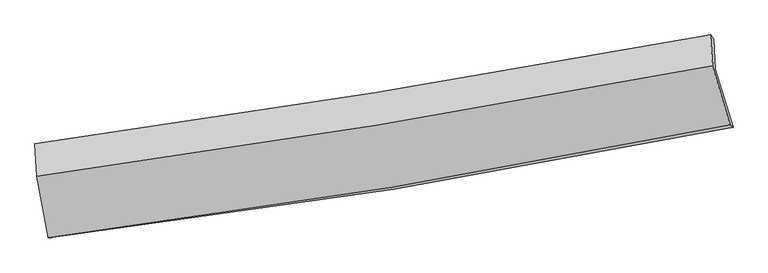
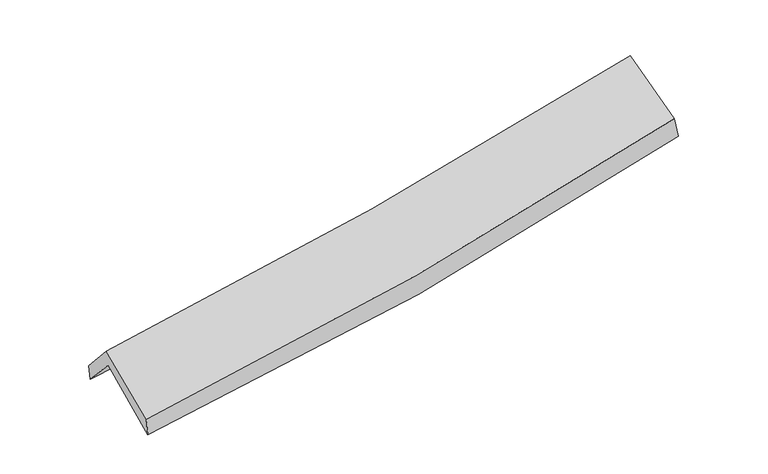
"""IFC4 building model written with IfcOpenShell, lengths in millimetres: proxy geometry."""

from ifc_helpers import new_model, si_unit, frame, origin, place, context, project, spatial, source, transform, mapped, element, save
from ifc_brep_helpers import plane_surface, spline_curve, spline_surface, advanced_brep


def generic_models_80fd4ae3(model_context):
    return source(origin(), model_context, "Body", "AdvancedBrep", [
        advanced_brep(
        [(-2754.3459014, -2518.1073181, 1459.0153622), (-2846.5161461, -2017.7753845, 1902.5485459), (2766.4865941, -1119.3507303, 2407.1726928), (2914.0529632, -1601.4056886, 1973.4786083), (-2864.033492, -1745.5684753, 1596.6793952), (2753.8863919, -871.0334157, 2092.0602034), (-2873.2033003, -1738.2136667, 1734.2556952), (2727.6511815, -835.3934071, 2254.2660019), (-2856.3377774, -2005.9622912, 2041.2349293), (2744.3321166, -1091.6449658, 2548.2121892), (-2764.3001229, -2517.5784987, 1624.783042), (2888.7039319, -1578.3241496, 2149.507048)],
        [
            (0, 1),
            (1, 2, spline_curve(3, [(-2846.5161461, -2017.7753845, 1902.5485459), (-1901.853868924, -1894.657542639, 1955.012682932), (-960.626729328, -1758.011853714, 2023.439825488), (910.340444579, -1458.404099361, 2191.80466213), (1840.114218069, -1295.574903491, 2291.58556855), (2766.4865941, -1119.3507303, 2407.1726928)], [4, 2, 4], [0.0, 9.436215425075588, 18.825975547374522])),
            (2, 3),
            (3, 0, spline_curve(3, [(2914.0529632, -1601.4056886, 1973.4786083), (1982.033217666, -1790.241677097, 1846.981102668), (1044.835202161, -1960.907914964, 1740.915660875), (-844.579720895, -2266.655357111, 1569.225238871), (-1796.847993634, -2401.556329165, 1503.802931959), (-2754.3459014, -2518.1073181, 1459.0153622)], [4, 2, 4], [0.0, 9.389760122298934, 18.825975547374522])),
            (1, 4),
            (4, 5, spline_curve(3, [(-2864.033492, -1745.5684753, 1596.6793952), (-1916.287807573, -1635.325146239, 1634.947806322), (-973.110981498, -1507.101465826, 1695.520516383), (899.484104685, -1215.413177239, 1860.866523949), (1828.947240241, -1052.125171302, 1965.420749889), (2753.8863919, -871.0334157, 2092.0602034)], [4, 2, 4], [0.0, 9.38869112602706, 18.731160915502493])),
            (5, 2),
            (4, 6),
            (6, 7, spline_curve(3, [(-2873.2033003, -1738.2136667, 1734.2556952), (-1931.568056295, -1608.157058327, 1789.504226486), (-992.86805533, -1467.682437158, 1860.608646415), (874.054608684, -1166.640025302, 2034.101150682), (1802.306102023, -1006.174560393, 2136.333499574), (2727.6511815, -835.3934071, 2254.2660019)], [4, 2, 4], [0.0, 9.38024167386915, 18.71430360856874])),
            (7, 5),
            (6, 8),
            (8, 9, spline_curve(3, [(-2856.3377774, -2005.9622912, 2041.2349293), (-1914.400448141, -1878.964625442, 2100.014372063), (-975.565236147, -1739.052878397, 2171.788437285), (891.294259975, -1434.153595147, 2340.90848955), (1819.349012208, -1269.292900547, 2438.126844341), (2744.3321166, -1091.6449658, 2548.2121892)], [4, 2, 4], [0.0, 9.370930013742228, 18.695726130421193])),
            (9, 7),
            (8, 10),
            (10, 11, spline_curve(3, [(-2764.3001229, -2517.5784987, 1624.783042), (-1810.431379702, -2394.360660478, 1679.967692653), (-861.262451559, -2254.245809293, 1751.435000587), (1023.026072018, -1940.995065059, 1926.502929564), (1958.191828702, -1768.025132934, 2029.943623982), (2888.7039319, -1578.3241496, 2149.507048)], [4, 2, 4], [0.0, 9.4188519314265, 18.791334042053855])),
            (11, 9),
            (10, 0),
            (3, 11),
        ],
        [
            spline_surface(3, 3, [[(-2754.3459014, -2518.1073181, 1459.0153622), (-1796.847993731, -2401.556329122, 1503.802932066), (-844.579720884, -2266.65535714, 1569.225238991), (1044.83520215, -1960.907914935, 1740.915660755), (1982.03321756, -1790.241677118, 1846.981102528), (2914.0529632, -1601.4056886, 1973.4786083)], [(-2785.069316331, -2351.330006907, 1606.859756752), (-1831.849952161, -2232.590066955, 1654.206182337), (-883.262057007, -2097.107522673, 1720.630101168), (1000.00361625, -1793.406643076, 1891.211994545), (1934.726884428, -1625.3527526, 1995.182591173), (2864.864173497, -1440.720702525, 2118.043303138)], [(-2815.792731169, -2184.552695693, 1754.704151348), (-1866.851910499, -2063.623804767, 1804.60943265), (-921.944393102, -1927.559688195, 1872.034963331), (955.172030377, -1625.905371207, 2041.50832832), (1887.420551304, -1460.463828008, 2143.384079805), (2815.675383803, -1280.035716375, 2262.607997962)], [(-2846.5161461, -2017.7753845, 1902.5485459), (-1901.853868929, -1894.6575426, 1955.01268292), (-960.626729225, -1758.011853727, 2023.439825508), (910.340444476, -1458.404099348, 2191.80466211), (1840.114218172, -1295.57490349, 2291.585568451), (2766.4865941, -1119.3507303, 2407.1726928)]], [4, 4], [4, 2, 4], [0.0, 2.2638076186701888], [0.0, 9.436215425075588, 18.825975547374522]),
            spline_surface(3, 3, [[(-2846.5161461, -2017.7753845, 1902.5485459), (-1901.853868929, -1894.6575426, 1955.01268292), (-960.626729225, -1758.011853727, 2023.439825508), (910.340444476, -1458.404099348, 2191.80466211), (1840.114218172, -1295.57490349, 2291.585568451), (2766.4865941, -1119.3507303, 2407.1726928)], [(-2852.355261369, -1927.039748087, 1800.592162341), (-1906.665181733, -1808.213410451, 1848.324390736), (-964.788146662, -1674.375057726, 1914.13338914), (906.721664557, -1377.407125341, 2081.491949365), (1836.391892183, -1214.424992732, 2182.863962252), (2762.286526724, -1036.57829208, 2302.135196331)], [(-2858.194376731, -1836.304111713, 1698.635778759), (-1911.476494631, -1721.769278341, 1741.636098529), (-968.949564098, -1590.738261731, 1804.8269528), (903.10288464, -1296.41015134, 1971.179236646), (1832.669566124, -1133.275082034, 2074.14235606), (2758.086459276, -953.80585392, 2197.097699869)], [(-2864.033492, -1745.5684753, 1596.6793952), (-1916.287807435, -1635.325146192, 1634.947806345), (-973.110981535, -1507.101465731, 1695.520516432), (899.484104721, -1215.413177333, 1860.866523901), (1828.947240135, -1052.125171277, 1965.420749861), (2753.8863919, -871.0334157, 2092.0602034)]], [4, 4], [4, 2, 4], [0.0, 1.3513273668748869], [0.0, 9.38869112602706, 18.731160915502493]),
            spline_surface(3, 3, [[(-2864.033492, -1745.5684753, 1596.6793952), (-1916.287807435, -1635.325146192, 1634.947806345), (-973.110981535, -1507.101465731, 1695.520516432), (899.484104721, -1215.413177333, 1860.866523901), (1828.947240135, -1052.125171277, 1965.420749861), (2753.8863919, -871.0334157, 2092.0602034)], [(-2867.090094769, -1743.116872425, 1642.538161854), (-1921.381223693, -1626.269116939, 1686.466613007), (-979.696672827, -1493.961789493, 1750.54989305), (891.007606058, -1199.15546004, 1918.611399509), (1820.066860715, -1036.808300979, 2022.391666461), (2745.141321755, -859.153412857, 2146.128802895)], [(-2870.146697531, -1740.665269575, 1688.396928546), (-1926.474639944, -1617.213087712, 1737.985419709), (-986.282364103, -1480.82211325, 1805.579269711), (882.531107412, -1182.897742741, 1976.35627516), (1811.18648133, -1021.49143061, 2079.362583076), (2736.396251645, -847.273409943, 2200.197402405)], [(-2873.2033003, -1738.2136667, 1734.2556952), (-1931.568056202, -1608.15705846, 1789.504226372), (-992.868055396, -1467.682437012, 1860.608646328), (874.054608749, -1166.640025448, 2034.101150768), (1802.30610191, -1006.174560312, 2136.333499676), (2727.6511815, -835.3934071, 2254.2660019)]], [4, 4], [4, 2, 4], [0.0, 0.5782192697373505], [0.0, 9.38024167386915, 18.71430360856874]),
            spline_surface(3, 3, [[(-2873.2033003, -1738.2136667, 1734.2556952), (-1931.568056202, -1608.15705846, 1789.504226372), (-992.868055396, -1467.682437012, 1860.608646328), (874.054608749, -1166.640025448, 2034.101150768), (1802.30610191, -1006.174560312, 2136.333499676), (2727.6511815, -835.3934071, 2254.2660019)], [(-2867.581459353, -1827.463208223, 1836.582106589), (-1925.845520245, -1698.42624751, 1893.007608241), (-987.100448945, -1558.139250758, 1964.335243299), (879.801159108, -1255.811215348, 2136.370263694), (1807.987072026, -1093.880673747, 2236.931281181), (2733.211493196, -920.810593311, 2352.248064328)], [(-2861.959618347, -1916.712749677, 1938.908517911), (-1920.122984229, -1788.695436492, 1996.510990045), (-981.332842472, -1648.596064576, 2068.061840293), (885.547709491, -1344.982405321, 2238.639376644), (1813.668042154, -1181.586787247, 2337.529062702), (2738.771804904, -1006.227779589, 2450.230126772)], [(-2856.3377774, -2005.9622912, 2041.2349293), (-1914.400448272, -1878.964625542, 2100.014371915), (-975.565236022, -1739.052878322, 2171.788437264), (891.29425985, -1434.153595221, 2340.908489571), (1819.34901227, -1269.292900681, 2438.126844207), (2744.3321166, -1091.6449658, 2548.2121892)]], [4, 4], [4, 2, 4], [0.0, 1.3462883970241597], [0.0, 9.370930013742228, 18.695726130421193]),
            spline_surface(3, 3, [[(-2856.3377774, -2005.9622912, 2041.2349293), (-1914.400448272, -1878.964625542, 2100.014371915), (-975.565236022, -1739.052878322, 2171.788437264), (891.29425985, -1434.153595221, 2340.908489571), (1819.34901227, -1269.292900681, 2438.126844207), (2744.3321166, -1091.6449658, 2548.2121892)], [(-2825.658559243, -2176.501027005, 1902.41763351), (-1879.744092122, -2050.763303799, 1959.998812149), (-937.464307877, -1910.783855346, 2031.67062501), (935.204863931, -1603.100751812, 2202.773302956), (1865.62995112, -1435.536978103, 2302.065770765), (2792.456055051, -1253.871360398, 2415.310475463)], [(-2794.979341057, -2347.039762895, 1763.60033779), (-1845.087735942, -2222.561982142, 1819.983252453), (-899.363379756, -2082.514832353, 1891.552812718), (979.115467988, -1772.047908385, 2064.638116302), (1911.910889917, -1601.781055531, 2166.004697333), (2840.579993449, -1416.097755002, 2282.408761737)], [(-2764.3001229, -2517.5784987, 1624.783042), (-1810.431379792, -2394.360660399, 1679.967692687), (-861.262451611, -2254.245809377, 1751.435000464), (1023.026072069, -1940.995064976, 1926.502929687), (1958.191828768, -1768.025132953, 2029.94362389), (2888.7039319, -1578.3241496, 2149.507048)]], [4, 4], [4, 2, 4], [0.0, 2.202076872489573], [0.0, 9.4188519314265, 18.791334042053855]),
            spline_surface(3, 3, [[(-2764.3001229, -2517.5784987, 1624.783042), (-1810.431379792, -2394.360660399, 1679.967692687), (-861.262451611, -2254.245809377, 1751.435000464), (1023.026072069, -1940.995064976, 1926.502929687), (1958.191828768, -1768.025132953, 2029.94362389), (2888.7039319, -1578.3241496, 2149.507048)], [(-2760.982049035, -2517.754771852, 1569.527148754), (-1805.903584407, -2396.759216659, 1621.246105834), (-855.701541353, -2258.382325314, 1690.69841332), (1030.295782111, -1947.632681644, 1864.640506723), (1966.138958342, -1775.43064767, 1968.956116781), (2897.153608977, -1586.017995929, 2090.830901445)], [(-2757.663975265, -2517.931044948, 1514.271255446), (-1801.375789116, -2399.157772862, 1562.524518919), (-850.140631142, -2262.518841204, 1629.961826136), (1037.565492108, -1954.270298266, 1802.778083719), (1974.086087986, -1782.836162401, 1907.968609637), (2905.603286123, -1593.711842271, 2032.154754855)], [(-2754.3459014, -2518.1073181, 1459.0153622), (-1796.847993731, -2401.556329122, 1503.802932066), (-844.579720884, -2266.65535714, 1569.225238991), (1044.83520215, -1960.907914935, 1740.915660755), (1982.03321756, -1790.241677118, 1846.981102528), (2914.0529632, -1601.4056886, 1973.4786083)]], [4, 4], [4, 2, 4], [0.0, 0.6089125143892311], [0.0, 9.475785170666024, 18.904920233283427]),
            plane_surface(frame((2799.1855299, -1182.8587262, 2237.4494573), z_axis=(0.9740755771564303, 0.19498614975975118, 0.1147047138928269), x_axis=(0.2236601305273658, -0.7539610796264565, -0.6176721107683185))),
            plane_surface(frame((-2826.4561233, -2090.5342724, 1726.419495), z_axis=(-0.9897543811927116, -0.13001151752955062, -0.059019236012473504), x_axis=(-0.05994095235134479, 0.003184371735634576, 0.9981968453205325))),
        ],
        [
            (0, [[1, 2, 3, 4]]),
            (1, [[5, 6, 7, -2]]),
            (2, [[8, 9, 10, -6]]),
            (3, [[11, 12, 13, -9]]),
            (4, [[14, 15, 16, -12]]),
            (5, [[17, -4, 18, -15]]),
            (6, [[-16, -18, -3, -7, -10, -13]]),
            (7, [[-17, -14, -11, -8, -5, -1]]),
        ],
    ),
    ])


if __name__ == "__main__":
    model = new_model("IFC4")
    model_context = context("Model", 3, world=origin())
    ifc_project = project(units=[si_unit("LENGTHUNIT", "METRE", prefix="MILLI")], contexts=[model_context])
    site = spatial("IfcSite", under=ifc_project)
    building = spatial("IfcBuilding", under=site)
    placement = place(None, origin())
    generic_models_shape = generic_models_80fd4ae3(model_context)
    element("IfcBuildingElementProxy", 1, Name="Generic Models", at=placement, inside=building, context=model_context, shape_type="MappedRepresentation", body=[
        mapped(generic_models_shape, transform((0.0, 0.0, 0.0), x_axis=(1.0, 0.0, 0.0), y_axis=(0.0, 1.0, 0.0), z_axis=(0.0, 0.0, 1.0))),
    ])
    save(model, "model.ifc")
